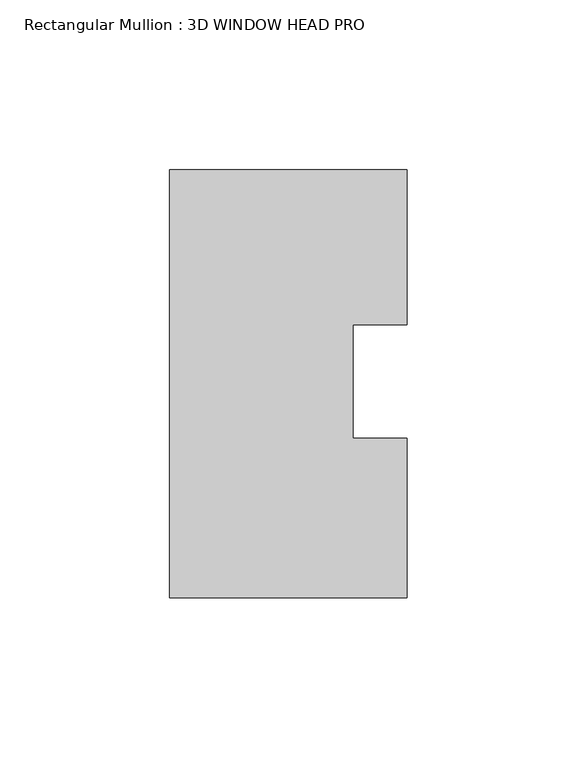
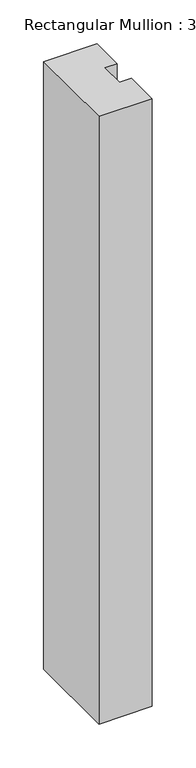
"""IFC4 building model written with IfcOpenShell, lengths in millimetres: member geometry, Rectangular Mullion : 3D WINDOW HEAD PRO."""

from ifc_helpers import new_model, si_unit, frame, origin, place, context, project, spatial, polyline, outline, extrude, source, transform, mapped, element, save


def rectangular_mullion_3d_window_head_pro_13c33eda(model_context):
    return source(origin(), model_context, "Body", "SweptSolid", [
        extrude(outline(polyline([(34.925, -62.8904), (-34.925, -62.8904), (-34.925, 62.8904), (34.925, 62.8904), (34.925, 17.3457209), (19.05, 17.3457209), (19.05, -16.0459314), (34.925, -16.0459314), (34.925, -62.8904)])), frame((0.0, 0.0, -844.55), z_axis=(0.0, 0.0, 1.0), x_axis=(1.0, 0.0, 0.0)), (0.0, 0.0, 1.0), 844.55),
    ])


if __name__ == "__main__":
    model = new_model("IFC4")
    model_context = context("Model", 3, world=origin())
    ifc_project = project(units=[si_unit("LENGTHUNIT", "METRE", prefix="MILLI")], contexts=[model_context])
    site = spatial("IfcSite", under=ifc_project)
    building = spatial("IfcBuilding", under=site)
    placement = place(None, origin())
    rectangular_mullion_3d_window_head_pro_shape = rectangular_mullion_3d_window_head_pro_13c33eda(model_context)
    element("IfcMember", 1, ObjectType="Rectangular Mullion : 3D WINDOW HEAD PRO", at=placement, inside=building, context=model_context, shape_type="MappedRepresentation", body=[
        mapped(rectangular_mullion_3d_window_head_pro_shape, transform((0.0, 0.0, 0.0), x_axis=(1.0, 0.0, 0.0), y_axis=(0.0, 1.0, 0.0), z_axis=(0.0, 0.0, 1.0))),
    ])
    save(model, "model.ifc")
